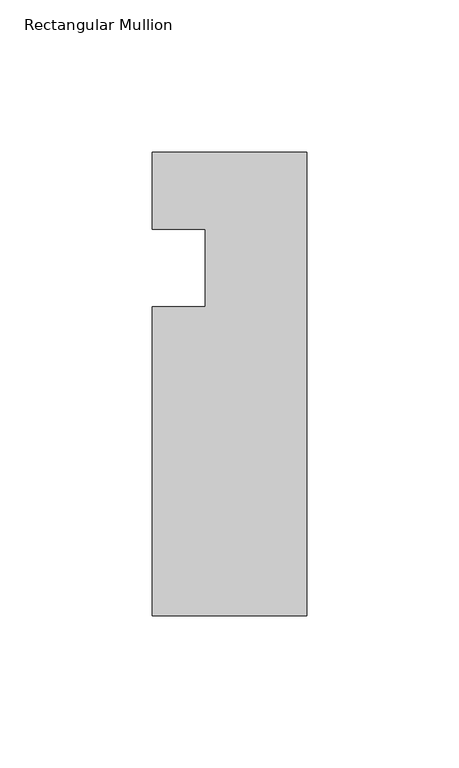
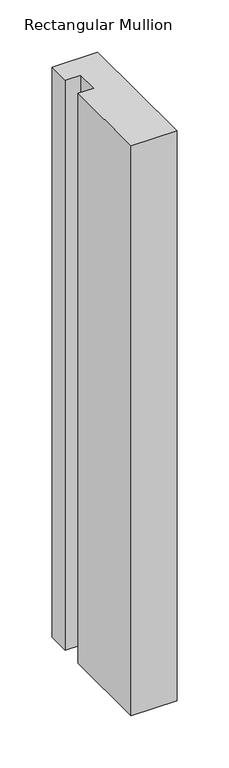
"""IFC4 building model written with IfcOpenShell, lengths in millimetres: member geometry, Rectangular Mullion."""

from ifc_helpers import new_model, si_unit, frame, origin, place, context, project, spatial, polyline, outline, extrude, source, transform, mapped, element, save


def rectangular_mullion_f71630b3(model_context):
    return source(origin(), model_context, "Body", "SweptSolid", [
        extrude(outline(polyline([(-50.8, -152.4), (-50.8, -50.8), (-33.3502, -50.8), (-33.3502, -25.4), (-50.8, -25.4), (-50.8, 0.0), (0.0, 0.0), (0.0, -152.4), (-50.8, -152.4)])), frame((0.0, 0.0, -668.8666667), z_axis=(0.0, 0.0, 1.0), x_axis=(1.0, 0.0, 0.0)), (0.0, 0.0, 1.0), 668.8666667),
    ])


if __name__ == "__main__":
    model = new_model("IFC4")
    model_context = context("Model", 3, world=origin())
    ifc_project = project(units=[si_unit("LENGTHUNIT", "METRE", prefix="MILLI")], contexts=[model_context])
    site = spatial("IfcSite", under=ifc_project)
    building = spatial("IfcBuilding", under=site)
    placement = place(None, origin())
    rectangular_mullion_shape = rectangular_mullion_f71630b3(model_context)
    element("IfcMember", 1, ObjectType="Rectangular Mullion", at=placement, inside=building, context=model_context, shape_type="MappedRepresentation", body=[
        mapped(rectangular_mullion_shape, transform((0.0, 0.0, 0.0), x_axis=(1.0, 0.0, 0.0), y_axis=(0.0, 1.0, 0.0), z_axis=(0.0, 0.0, 1.0))),
    ])
    save(model, "model.ifc")
